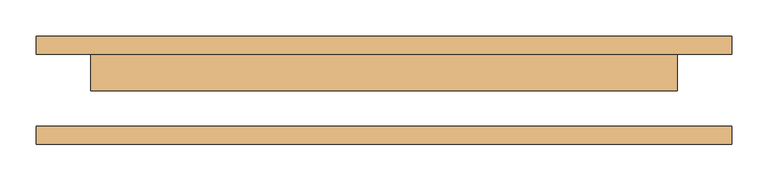
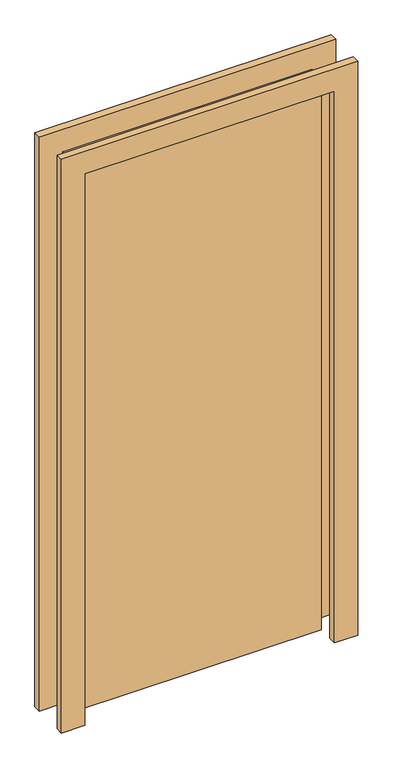
"""IFC4 building model written with IfcOpenShell, lengths in millimetres: door geometry."""

from ifc_helpers import new_model, si_unit, frame, origin, origin_with_axes, place, context, project, spatial, polyline, outline, extrude, source, transform, mapped, element, save


def door_94444052(model_context):
    return source(origin(), model_context, "Body", "SweptSolid", [
        extrude(outline(polyline([(1976.0, -482.5), (0.0, -482.5), (0.0, -406.5), (1900.0, -406.5), (1900.0, 406.5), (0.0, 406.5), (0.0, 482.5), (1976.0, 482.5), (1976.0, -482.5)])), frame((0.0, 50.0, 0.0), z_axis=(0.0, 1.0, 0.0), x_axis=(0.0, 0.0, 1.0)), (0.0, 0.0, 1.0), 25.0),
        extrude(outline(polyline([(1976.0, 482.5), (1976.0, -482.5), (0.0, -482.5), (0.0, -406.5), (1900.0, -406.5), (1900.0, 406.5), (0.0, 406.5), (0.0, 482.5), (1976.0, 482.5)])), frame((0.0, -75.0, 0.0), z_axis=(0.0, 1.0, 0.0), x_axis=(0.0, 0.0, 1.0)), (0.0, 0.0, 1.0), 25.0),
        extrude(outline(polyline([(406.5, -1.0), (-406.5, -1.0), (-406.5, 50.0), (406.5, 50.0), (406.5, -1.0)])), origin_with_axes(), (0.0, 0.0, 1.0), 1900.0),
    ])


if __name__ == "__main__":
    model = new_model("IFC4")
    model_context = context("Model", 3, world=origin())
    ifc_project = project(units=[si_unit("LENGTHUNIT", "METRE", prefix="MILLI")], contexts=[model_context])
    site = spatial("IfcSite", under=ifc_project)
    building = spatial("IfcBuilding", under=site)
    placement = place(None, origin())
    door_shape = door_94444052(model_context)
    element("IfcDoor", 1, at=placement, inside=building, context=model_context, shape_type="MappedRepresentation", body=[
        mapped(door_shape, transform((0.0, 0.0, 0.0), x_axis=(1.0, 0.0, 0.0), y_axis=(0.0, 1.0, 0.0), z_axis=(0.0, 0.0, 1.0))),
    ])
    save(model, "model.ifc")
